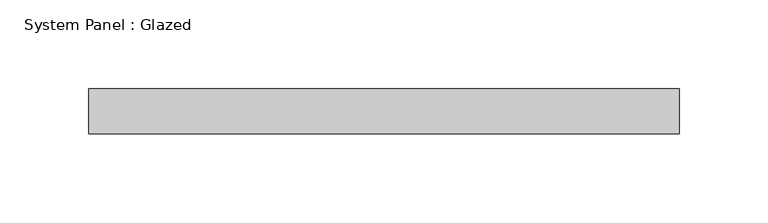
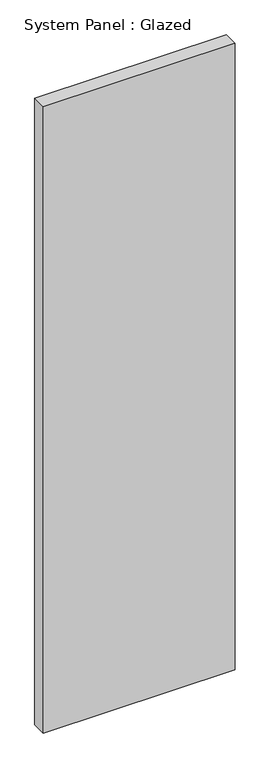
"""IFC4 building model written with IfcOpenShell, lengths in millimetres: plate geometry, System Panel : Glazed."""

from ifc_helpers import new_model, si_unit, origin, origin_with_axes, place, context, project, spatial, polyline, outline, extrude, source, transform, mapped, element, save


def system_panel_glazed_09fdc3e4(model_context):
    return source(origin(), model_context, "Body", "SweptSolid", [
        extrude(outline(polyline([(166.6875, -12.7), (-166.6875, -12.7), (-166.6875, 12.7), (166.6875, 12.7), (166.6875, -12.7)])), origin_with_axes(), (0.0, 0.0, 1.0), 1149.35),
    ])


if __name__ == "__main__":
    model = new_model("IFC4")
    model_context = context("Model", 3, world=origin())
    ifc_project = project(units=[si_unit("LENGTHUNIT", "METRE", prefix="MILLI")], contexts=[model_context])
    site = spatial("IfcSite", under=ifc_project)
    building = spatial("IfcBuilding", under=site)
    placement = place(None, origin())
    system_panel_glazed_shape = system_panel_glazed_09fdc3e4(model_context)
    element("IfcPlate", 1, ObjectType="System Panel : Glazed", at=placement, inside=building, context=model_context, shape_type="MappedRepresentation", body=[
        mapped(system_panel_glazed_shape, transform((0.0, 0.0, 0.0), x_axis=(1.0, 0.0, 0.0), y_axis=(0.0, 1.0, 0.0), z_axis=(0.0, 0.0, 1.0))),
    ])
    save(model, "model.ifc")
